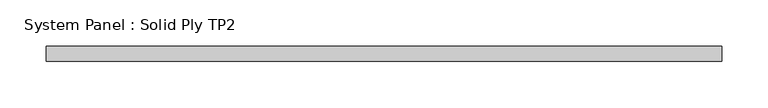
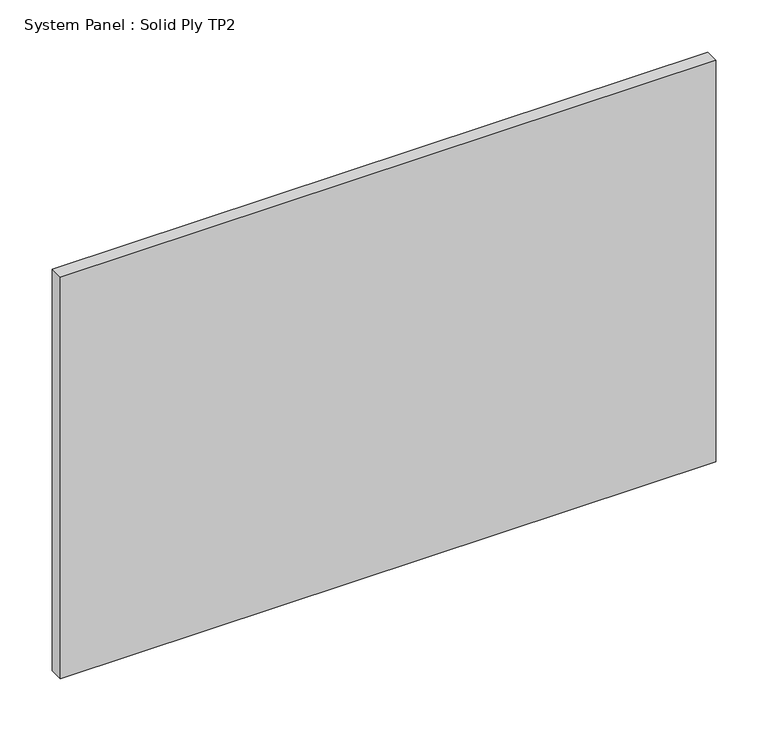
"""IFC4 building model written with IfcOpenShell, lengths in millimetres: plate geometry, System Panel : Solid Ply TP2."""

from ifc_helpers import new_model, si_unit, origin, origin_with_axes, place, context, project, spatial, polyline, outline, extrude, source, transform, mapped, element, save


def system_panel_solid_ply_tp2_4e9d3b2f(model_context):
    return source(origin(), model_context, "Body", "SweptSolid", [
        extrude(outline(polyline([(363.0000002, -23.0), (-363.0000002, -23.0), (-363.0000002, -7.0), (363.0000002, -7.0), (363.0000002, -23.0)])), origin_with_axes(), (0.0, 0.0, 1.0), 470.0),
    ])


if __name__ == "__main__":
    model = new_model("IFC4")
    model_context = context("Model", 3, world=origin())
    ifc_project = project(units=[si_unit("LENGTHUNIT", "METRE", prefix="MILLI")], contexts=[model_context])
    site = spatial("IfcSite", under=ifc_project)
    building = spatial("IfcBuilding", under=site)
    placement = place(None, origin())
    system_panel_solid_ply_tp2_shape = system_panel_solid_ply_tp2_4e9d3b2f(model_context)
    element("IfcPlate", 1, ObjectType="System Panel : Solid Ply TP2", at=placement, inside=building, context=model_context, shape_type="MappedRepresentation", body=[
        mapped(system_panel_solid_ply_tp2_shape, transform((0.0, 0.0, 0.0), x_axis=(1.0, 0.0, 0.0), y_axis=(0.0, 1.0, 0.0), z_axis=(0.0, 0.0, 1.0))),
    ])
    save(model, "model.ifc")
